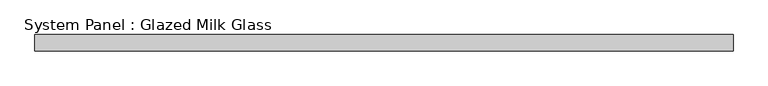
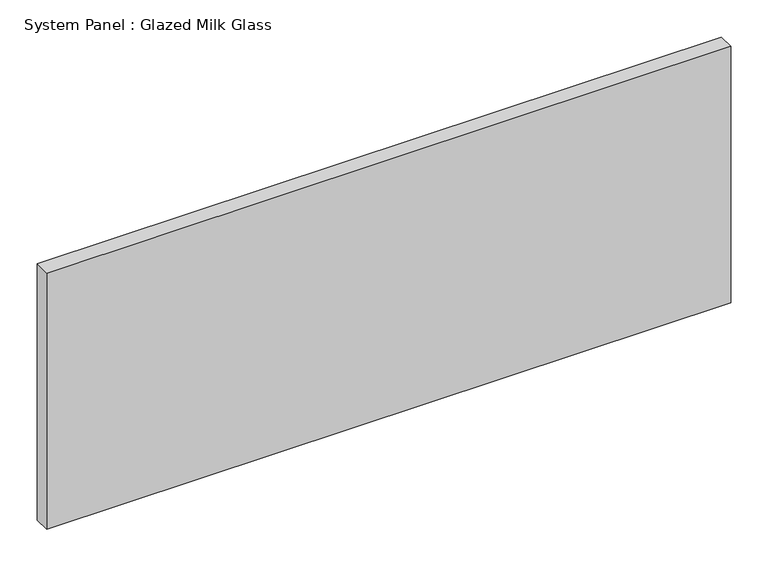
"""IFC4 building model written with IfcOpenShell, lengths in millimetres: plate geometry, System Panel : Glazed Milk Glass."""

from ifc_helpers import new_model, si_unit, origin, origin_with_axes, place, context, project, spatial, polyline, outline, extrude, source, transform, mapped, element, save


def system_panel_glazed_milk_glass_c6d1e764(model_context):
    return source(origin(), model_context, "Body", "SweptSolid", [
        extrude(outline(polyline([(530.35, -12.5), (-530.35, -12.5), (-530.35, 12.5), (530.35, 12.5), (530.35, -12.5)])), origin_with_axes(), (0.0, 0.0, 1.0), 420.0),
    ])


if __name__ == "__main__":
    model = new_model("IFC4")
    model_context = context("Model", 3, world=origin())
    ifc_project = project(units=[si_unit("LENGTHUNIT", "METRE", prefix="MILLI")], contexts=[model_context])
    site = spatial("IfcSite", under=ifc_project)
    building = spatial("IfcBuilding", under=site)
    placement = place(None, origin())
    system_panel_glazed_milk_glass_shape = system_panel_glazed_milk_glass_c6d1e764(model_context)
    element("IfcPlate", 1, ObjectType="System Panel : Glazed Milk Glass", at=placement, inside=building, context=model_context, shape_type="MappedRepresentation", body=[
        mapped(system_panel_glazed_milk_glass_shape, transform((0.0, 0.0, 0.0), x_axis=(1.0, 0.0, 0.0), y_axis=(0.0, 1.0, 0.0), z_axis=(0.0, 0.0, 1.0))),
    ])
    save(model, "model.ifc")
